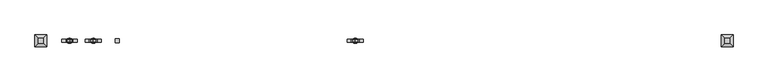
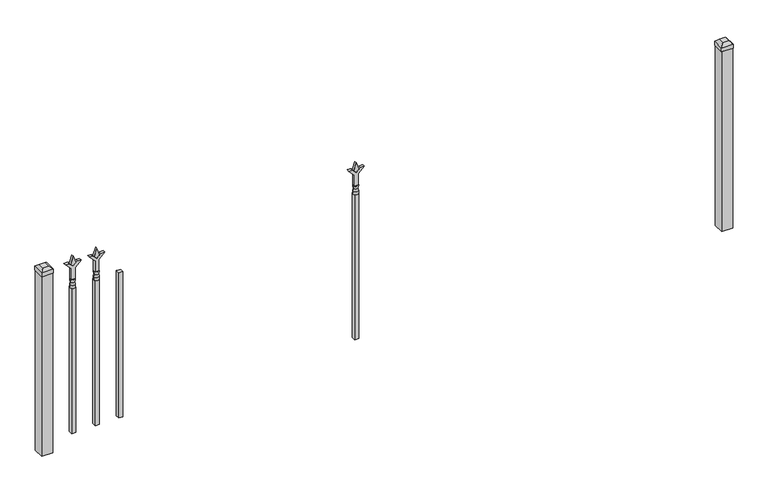
"""IFC4 building model written with IfcOpenShell, lengths in millimetres: railing geometry."""

from ifc_helpers import new_model, si_unit, frame, origin, origin_with_axes, place, context, project, spatial, polyline, circle_curve, outline, extrude, faceted_brep, source, transform, mapped, element, save
from ifc_brep_helpers import plane_surface, cylinder_surface, revolved_surface, advanced_brep


def railing_fd3310d7(model_context):
    return source(origin(), model_context, "Body", "SolidModel", [
        extrude(outline(polyline([(-91459.1347536, -3064.1320174), (-91440.0847536, -3064.1320174), (-91440.0847536, -3083.1820174), (-91459.1347536, -3083.1820174), (-91459.1347536, -3064.1320174)])), frame((0.0, 0.0, 50.8), z_axis=(0.0, 0.0, 1.0), x_axis=(1.0, 0.0, 0.0)), (0.0, 0.0, 1.0), 711.2),
        extrude(outline(polyline([(878.68125, -91546.9764203), (914.4, -91558.8826703), (878.68125, -91570.7889203), (866.775, -91558.8826703), (878.68125, -91546.9764203)])), frame((0.0, -3078.4195174, 0.0), z_axis=(0.0, 1.0, 0.0), x_axis=(0.0, 0.0, 1.0)), (0.0, 0.0, 1.0), 9.525),
        extrude(outline(polyline([(803.275, -91550.1514203), (857.5457378, -91550.1514203), (884.7355122, -91522.9616458), (884.7355122, -91540.9221581), (866.775, -91558.8826703), (884.7355122, -91576.8431825), (884.7355122, -91594.8036948), (857.5457378, -91567.6139203), (803.275, -91567.6139203), (803.275, -91550.1514203)])), frame((0.0, -3080.0070174, 0.0), z_axis=(0.0, 1.0, 0.0), x_axis=(0.0, 0.0, 1.0)), (0.0, 0.0, 1.0), 12.7),
        advanced_brep(
        [(-91546.9764203, -3073.6570174, 774.7), (-91570.7889203, -3073.6570174, 774.7), (-91570.7889203, -3073.6570174, 762.0), (-91546.9764203, -3073.6570174, 762.0), (-91549.1817522, -3073.6570174, 787.2070585), (-91568.5835884, -3073.6570174, 787.2070585), (-91546.9764203, -3073.6570174, 803.275), (-91570.7889203, -3073.6570174, 803.275), (-91558.8826703, -3073.6570174, 803.275), (-91558.8826703, -3073.6570174, 762.0)],
        [
            (0, 1, circle_curve(frame((-91558.8826703, -3073.6570174, 774.7), z_axis=(0.0, 0.0, -1.0), x_axis=(-1.0, 0.0, 0.0)), 11.90625)),
            (1, 2),
            (2, 3, circle_curve(frame((-91558.8826703, -3073.6570174, 762.0), z_axis=(0.0, 0.0, 1.0), x_axis=(-1.0, 0.0, 0.0)), 11.90625)),
            (3, 0),
            (1, 0, circle_curve(frame((-91558.8826703, -3073.6570174, 774.7), z_axis=(0.0, 0.0, -1.0), x_axis=(-1.0, 0.0, 0.0)), 11.90625)),
            (3, 2, circle_curve(frame((-91558.8826703, -3073.6570174, 762.0), z_axis=(0.0, 0.0, 1.0), x_axis=(-1.0, 0.0, 0.0)), 11.90625)),
            (4, 5, circle_curve(frame((-91558.8826703, -3073.6570174, 787.2070585), z_axis=(0.0, 0.0, -1.0), x_axis=(-1.0, 0.0, 0.0)), 9.7009181)),
            (5, 1),
            (0, 4),
            (5, 4, circle_curve(frame((-91558.8826703, -3073.6570174, 787.2070585), z_axis=(0.0, 0.0, -1.0), x_axis=(-1.0, 0.0, 0.0)), 9.7009181)),
            (6, 7, circle_curve(frame((-91558.8826703, -3073.6570174, 803.275), z_axis=(0.0, 0.0, -1.0), x_axis=(-1.0, 0.0, 0.0)), 11.90625)),
            (7, 5),
            (4, 6),
            (7, 6, circle_curve(frame((-91558.8826703, -3073.6570174, 803.275), z_axis=(0.0, 0.0, -1.0), x_axis=(-1.0, 0.0, 0.0)), 11.90625)),
            (8, 7),
            (6, 8),
            (2, 9),
            (9, 3),
        ],
        [
            cylinder_surface(frame((-91558.8826703, -3073.6570174, 762.0), z_axis=(0.0, 0.0, 1.0), x_axis=(-1.0, 0.0, 0.0)), 11.90625),
            revolved_surface(polyline([(-91570.7889203, -3073.6570174, 774.7), (-91568.5835884, -3073.6570174, 787.2070585)]), (-91558.8826703, -3073.6570174, 762.0), (0.0, 0.0, 1.0)),
            revolved_surface(polyline([(-91568.5835884, -3073.6570174, 787.2070585), (-91570.7889203, -3073.6570174, 803.275)]), (-91558.8826703, -3073.6570174, 762.0), (0.0, 0.0, 1.0)),
            plane_surface(frame((-91558.8826703, -3073.6570174, 803.275), z_axis=(0.0, 0.0, 1.0), x_axis=(-1.0, 0.0, 0.0))),
            plane_surface(frame((-91558.8826703, -3073.6570174, 762.0), z_axis=(0.0, 0.0, -1.0), x_axis=(-1.0, 0.0, 0.0))),
        ],
        [
            (0, [[1, 2, 3, 4]]),
            (0, [[5, -4, 6, -2]]),
            (1, [[7, 8, -1, 9]]),
            (1, [[10, -9, -5, -8]]),
            (2, [[11, 12, -7, 13]]),
            (2, [[14, -13, -10, -12]]),
            (3, [[15, -11, 16]]),
            (3, [[-16, -14, -15]]),
            (4, [[-3, 17, 18]]),
            (4, [[-6, -18, -17]]),
        ],
    ),
        extrude(outline(polyline([(-91568.4076703, -3064.1320174), (-91549.3576703, -3064.1320174), (-91549.3576703, -3083.1820174), (-91568.4076703, -3083.1820174), (-91568.4076703, -3064.1320174)])), frame((0.0, 0.0, 50.8), z_axis=(0.0, 0.0, 1.0), x_axis=(1.0, 0.0, 0.0)), (0.0, 0.0, 1.0), 711.2),
        extrude(outline(polyline([(878.68125, -90344.974337), (914.4, -90356.880587), (878.68125, -90368.786837), (866.775, -90356.880587), (878.68125, -90344.974337)])), frame((0.0, -3078.4195174, 0.0), z_axis=(0.0, 1.0, 0.0), x_axis=(0.0, 0.0, 1.0)), (0.0, 0.0, 1.0), 9.525),
        extrude(outline(polyline([(803.275, -90348.149337), (857.5457378, -90348.149337), (884.7355122, -90320.9595625), (884.7355122, -90338.9200747), (866.775, -90356.880587), (884.7355122, -90374.8410992), (884.7355122, -90392.8016114), (857.5457378, -90365.611837), (803.275, -90365.611837), (803.275, -90348.149337)])), frame((0.0, -3080.0070174, 0.0), z_axis=(0.0, 1.0, 0.0), x_axis=(0.0, 0.0, 1.0)), (0.0, 0.0, 1.0), 12.7),
        advanced_brep(
        [(-90344.974337, -3073.6570174, 774.7), (-90368.786837, -3073.6570174, 774.7), (-90368.786837, -3073.6570174, 762.0), (-90344.974337, -3073.6570174, 762.0), (-90347.1796688, -3073.6570174, 787.2070585), (-90366.5815051, -3073.6570174, 787.2070585), (-90344.974337, -3073.6570174, 803.275), (-90368.786837, -3073.6570174, 803.275), (-90356.880587, -3073.6570174, 803.275), (-90356.880587, -3073.6570174, 762.0)],
        [
            (0, 1, circle_curve(frame((-90356.880587, -3073.6570174, 774.7), z_axis=(0.0, 0.0, -1.0), x_axis=(-1.0, 0.0, 0.0)), 11.90625)),
            (1, 2),
            (2, 3, circle_curve(frame((-90356.880587, -3073.6570174, 762.0), z_axis=(0.0, 0.0, 1.0), x_axis=(-1.0, 0.0, 0.0)), 11.90625)),
            (3, 0),
            (1, 0, circle_curve(frame((-90356.880587, -3073.6570174, 774.7), z_axis=(0.0, 0.0, -1.0), x_axis=(-1.0, 0.0, 0.0)), 11.90625)),
            (3, 2, circle_curve(frame((-90356.880587, -3073.6570174, 762.0), z_axis=(0.0, 0.0, 1.0), x_axis=(-1.0, 0.0, 0.0)), 11.90625)),
            (4, 5, circle_curve(frame((-90356.880587, -3073.6570174, 787.2070585), z_axis=(0.0, 0.0, -1.0), x_axis=(-1.0, 0.0, 0.0)), 9.7009181)),
            (5, 1),
            (0, 4),
            (5, 4, circle_curve(frame((-90356.880587, -3073.6570174, 787.2070585), z_axis=(0.0, 0.0, -1.0), x_axis=(-1.0, 0.0, 0.0)), 9.7009181)),
            (6, 7, circle_curve(frame((-90356.880587, -3073.6570174, 803.275), z_axis=(0.0, 0.0, -1.0), x_axis=(-1.0, 0.0, 0.0)), 11.90625)),
            (7, 5),
            (4, 6),
            (7, 6, circle_curve(frame((-90356.880587, -3073.6570174, 803.275), z_axis=(0.0, 0.0, -1.0), x_axis=(-1.0, 0.0, 0.0)), 11.90625)),
            (8, 7),
            (6, 8),
            (2, 9),
            (9, 3),
        ],
        [
            cylinder_surface(frame((-90356.880587, -3073.6570174, 762.0), z_axis=(0.0, 0.0, 1.0), x_axis=(-1.0, 0.0, 0.0)), 11.90625),
            revolved_surface(polyline([(-90368.786837, -3073.6570174, 774.7), (-90366.5815051, -3073.6570174, 787.2070585)]), (-90356.880587, -3073.6570174, 762.0), (0.0, 0.0, 1.0)),
            revolved_surface(polyline([(-90366.5815051, -3073.6570174, 787.2070585), (-90368.786837, -3073.6570174, 803.275)]), (-90356.880587, -3073.6570174, 762.0), (0.0, 0.0, 1.0)),
            plane_surface(frame((-90356.880587, -3073.6570174, 803.275), z_axis=(0.0, 0.0, 1.0), x_axis=(-1.0, 0.0, 0.0))),
            plane_surface(frame((-90356.880587, -3073.6570174, 762.0), z_axis=(0.0, 0.0, -1.0), x_axis=(-1.0, 0.0, 0.0))),
        ],
        [
            (0, [[1, 2, 3, 4]]),
            (0, [[5, -4, 6, -2]]),
            (1, [[7, 8, -1, 9]]),
            (1, [[10, -9, -5, -8]]),
            (2, [[11, 12, -7, 13]]),
            (2, [[14, -13, -10, -12]]),
            (3, [[15, -11, 16]]),
            (3, [[-16, -14, -15]]),
            (4, [[-3, 17, 18]]),
            (4, [[-6, -18, -17]]),
        ],
    ),
        extrude(outline(polyline([(-90366.405587, -3064.1320174), (-90347.355587, -3064.1320174), (-90347.355587, -3083.1820174), (-90366.405587, -3083.1820174), (-90366.405587, -3064.1320174)])), frame((0.0, 0.0, 50.8), z_axis=(0.0, 0.0, 1.0), x_axis=(1.0, 0.0, 0.0)), (0.0, 0.0, 1.0), 711.2),
        extrude(outline(polyline([(878.68125, -91656.249337), (914.4, -91668.155587), (878.68125, -91680.061837), (866.775, -91668.155587), (878.68125, -91656.249337)])), frame((0.0, -3078.4195174, 0.0), z_axis=(0.0, 1.0, 0.0), x_axis=(0.0, 0.0, 1.0)), (0.0, 0.0, 1.0), 9.525),
        extrude(outline(polyline([(803.275, -91659.424337), (857.5457378, -91659.424337), (884.7355122, -91632.2345625), (884.7355122, -91650.1950747), (866.775, -91668.155587), (884.7355122, -91686.1160992), (884.7355122, -91704.0766114), (857.5457378, -91676.886837), (803.275, -91676.886837), (803.275, -91659.424337)])), frame((0.0, -3080.0070174, 0.0), z_axis=(0.0, 1.0, 0.0), x_axis=(0.0, 0.0, 1.0)), (0.0, 0.0, 1.0), 12.7),
        advanced_brep(
        [(-91656.249337, -3073.6570174, 774.7), (-91680.061837, -3073.6570174, 774.7), (-91680.061837, -3073.6570174, 762.0), (-91656.249337, -3073.6570174, 762.0), (-91658.4546688, -3073.6570174, 787.2070585), (-91677.8565051, -3073.6570174, 787.2070585), (-91656.249337, -3073.6570174, 803.275), (-91680.061837, -3073.6570174, 803.275), (-91668.155587, -3073.6570174, 803.275), (-91668.155587, -3073.6570174, 762.0)],
        [
            (0, 1, circle_curve(frame((-91668.155587, -3073.6570174, 774.7), z_axis=(0.0, 0.0, -1.0), x_axis=(-1.0, 0.0, 0.0)), 11.90625)),
            (1, 2),
            (2, 3, circle_curve(frame((-91668.155587, -3073.6570174, 762.0), z_axis=(0.0, 0.0, 1.0), x_axis=(-1.0, 0.0, 0.0)), 11.90625)),
            (3, 0),
            (1, 0, circle_curve(frame((-91668.155587, -3073.6570174, 774.7), z_axis=(0.0, 0.0, -1.0), x_axis=(-1.0, 0.0, 0.0)), 11.90625)),
            (3, 2, circle_curve(frame((-91668.155587, -3073.6570174, 762.0), z_axis=(0.0, 0.0, 1.0), x_axis=(-1.0, 0.0, 0.0)), 11.90625)),
            (4, 5, circle_curve(frame((-91668.155587, -3073.6570174, 787.2070585), z_axis=(0.0, 0.0, -1.0), x_axis=(-1.0, 0.0, 0.0)), 9.7009181)),
            (5, 1),
            (0, 4),
            (5, 4, circle_curve(frame((-91668.155587, -3073.6570174, 787.2070585), z_axis=(0.0, 0.0, -1.0), x_axis=(-1.0, 0.0, 0.0)), 9.7009181)),
            (6, 7, circle_curve(frame((-91668.155587, -3073.6570174, 803.275), z_axis=(0.0, 0.0, -1.0), x_axis=(-1.0, 0.0, 0.0)), 11.90625)),
            (7, 5),
            (4, 6),
            (7, 6, circle_curve(frame((-91668.155587, -3073.6570174, 803.275), z_axis=(0.0, 0.0, -1.0), x_axis=(-1.0, 0.0, 0.0)), 11.90625)),
            (8, 7),
            (6, 8),
            (2, 9),
            (9, 3),
        ],
        [
            cylinder_surface(frame((-91668.155587, -3073.6570174, 762.0), z_axis=(0.0, 0.0, 1.0), x_axis=(-1.0, 0.0, 0.0)), 11.90625),
            revolved_surface(polyline([(-91680.061837, -3073.6570174, 774.7), (-91677.8565051, -3073.6570174, 787.2070585)]), (-91668.155587, -3073.6570174, 762.0), (0.0, 0.0, 1.0)),
            revolved_surface(polyline([(-91677.8565051, -3073.6570174, 787.2070585), (-91680.061837, -3073.6570174, 803.275)]), (-91668.155587, -3073.6570174, 762.0), (0.0, 0.0, 1.0)),
            plane_surface(frame((-91668.155587, -3073.6570174, 803.275), z_axis=(0.0, 0.0, 1.0), x_axis=(-1.0, 0.0, 0.0))),
            plane_surface(frame((-91668.155587, -3073.6570174, 762.0), z_axis=(0.0, 0.0, -1.0), x_axis=(-1.0, 0.0, 0.0))),
        ],
        [
            (0, [[1, 2, 3, 4]]),
            (0, [[5, -4, 6, -2]]),
            (1, [[7, 8, -1, 9]]),
            (1, [[10, -9, -5, -8]]),
            (2, [[11, 12, -7, 13]]),
            (2, [[14, -13, -10, -12]]),
            (3, [[15, -11, 16]]),
            (3, [[-16, -14, -15]]),
            (4, [[-3, 17, 18]]),
            (4, [[-6, -18, -17]]),
        ],
    ),
        extrude(outline(polyline([(-91677.680587, -3064.1320174), (-91658.630587, -3064.1320174), (-91658.630587, -3083.1820174), (-91677.680587, -3083.1820174), (-91677.680587, -3064.1320174)])), frame((0.0, 0.0, 50.8), z_axis=(0.0, 0.0, 1.0), x_axis=(1.0, 0.0, 0.0)), (0.0, 0.0, 1.0), 711.2),
        faceted_brep([(-88677.305587, -3046.6695174, 901.7), (-88677.305587, -3046.6695174, 882.65), (-88677.305587, -3100.6445174, 882.65), (-88677.305587, -3100.6445174, 901.7), (-88664.605587, -3059.3695174, 914.4), (-88664.605587, -3087.9445174, 914.4), (-88623.330587, -3100.6445174, 882.65), (-88623.330587, -3100.6445174, 901.7), (-88636.030587, -3087.9445174, 914.4), (-88623.330587, -3046.6695174, 882.65), (-88623.330587, -3046.6695174, 901.7), (-88636.030587, -3059.3695174, 914.4)], [[[0, 1, 2, 3]], [[4, 0, 3, 5]], [[3, 2, 6, 7]], [[5, 3, 7, 8]], [[7, 6, 9, 10]], [[8, 7, 10, 11]], [[10, 9, 1, 0]], [[11, 10, 0, 4]], [[5, 8, 11, 4]], [[1, 9, 6, 2]]]),
        extrude(outline(polyline([(-88624.918087, -3048.2570174), (-88624.918087, -3099.0570174), (-88675.718087, -3099.0570174), (-88675.718087, -3048.2570174), (-88624.918087, -3048.2570174)])), origin_with_axes(), (0.0, 0.0, 1.0), 882.65),
        faceted_brep([(-91826.905587, -3046.6695174, 901.7), (-91826.905587, -3046.6695174, 882.65), (-91826.905587, -3100.6445174, 882.65), (-91826.905587, -3100.6445174, 901.7), (-91814.205587, -3059.3695174, 914.4), (-91814.205587, -3087.9445174, 914.4), (-91772.930587, -3100.6445174, 882.65), (-91772.930587, -3100.6445174, 901.7), (-91785.630587, -3087.9445174, 914.4), (-91772.930587, -3046.6695174, 882.65), (-91772.930587, -3046.6695174, 901.7), (-91785.630587, -3059.3695174, 914.4)], [[[0, 1, 2, 3]], [[4, 0, 3, 5]], [[3, 2, 6, 7]], [[5, 3, 7, 8]], [[7, 6, 9, 10]], [[8, 7, 10, 11]], [[10, 9, 1, 0]], [[11, 10, 0, 4]], [[5, 8, 11, 4]], [[1, 9, 6, 2]]]),
        extrude(outline(polyline([(-91774.518087, -3048.2570174), (-91774.518087, -3099.0570174), (-91825.318087, -3099.0570174), (-91825.318087, -3048.2570174), (-91774.518087, -3048.2570174)])), origin_with_axes(), (0.0, 0.0, 1.0), 882.65),
    ])


if __name__ == "__main__":
    model = new_model("IFC4")
    model_context = context("Model", 3, world=origin())
    ifc_project = project(units=[si_unit("LENGTHUNIT", "METRE", prefix="MILLI")], contexts=[model_context])
    site = spatial("IfcSite", under=ifc_project)
    building = spatial("IfcBuilding", under=site)
    placement = place(None, origin())
    railing_shape = railing_fd3310d7(model_context)
    element("IfcRailing", 1, at=placement, inside=building, context=model_context, shape_type="MappedRepresentation", body=[
        mapped(railing_shape, transform((0.0, 0.0, 0.0), x_axis=(1.0, 0.0, 0.0), y_axis=(0.0, 1.0, 0.0), z_axis=(0.0, 0.0, 1.0))),
    ])
    save(model, "model.ifc")
